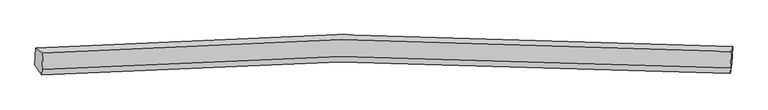
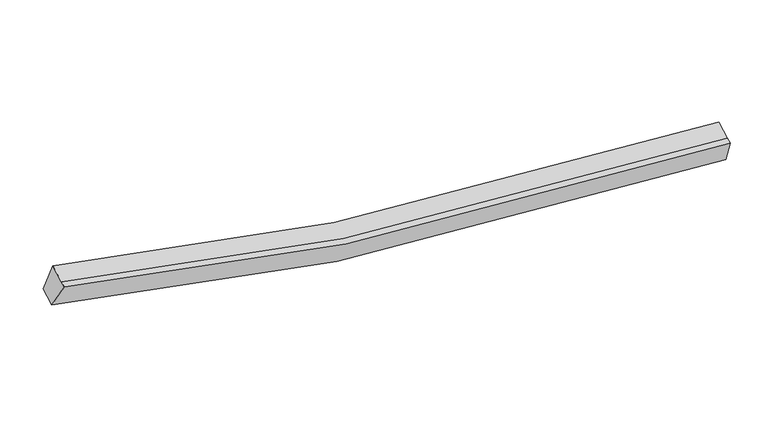
"""IFC4 building model written with IfcOpenShell, lengths in millimetres: proxy geometry."""

from ifc_helpers import new_model, si_unit, frame, origin, place, context, project, spatial, source, transform, mapped, element, save
from ifc_brep_helpers import plane_surface, spline_curve, spline_surface, advanced_brep


def generic_models_c7b700c9(model_context):
    return source(origin(), model_context, "Body", "AdvancedBrep", [
        advanced_brep(
        [(-8481.3574002, -1852.6518429, 4213.3181737), (-8290.275815, -1984.0985566, 4900.7937094), (10079.3218394, -1945.6708404, 2642.9642822), (10112.1390402, -1814.8831292, 1930.0613233), (-8312.6903047, -2434.1174832, 4715.088167), (10056.9073497, -2395.689767, 2457.2587399), (-8319.8192169, -2577.2456774, 4656.0246535), (10049.7784375, -2538.8179612, 2398.1952264), (-8504.0305799, -2307.8645289, 4025.4693661), (10089.4658604, -2270.0958152, 1742.2125157)],
        [
            (0, 1),
            (1, 2, spline_curve(3, [(-8290.275815, -1984.0985566, 4900.7937094), (-5662.998535547, -1781.362974641, 4125.366846363), (-3009.148610178, -1665.15122586, 3545.303582903), (3097.213466996, -1597.518168353, 2668.906163082), (6566.562759363, -1700.920679148, 2496.359616986), (10079.3218394, -1945.6708404, 2642.9642822)], [4, 2, 4], [0.0, 26.92554673857328, 61.3400063268835])),
            (2, 3),
            (3, 0, spline_curve(3, [(10112.1390402, -1814.8831292, 1930.0613233), (6556.620581464, -1567.427304283, 1782.06105883), (3045.009556291, -1462.767981539, 1956.662935211), (-3135.792429819, -1530.743330594, 2842.874657901), (-5822.013551922, -1647.992224197, 3429.358398472), (-8481.3574002, -1852.6518429, 4213.3181737)], [4, 2, 4], [0.0, 34.414459588310216, 61.3400063268835])),
            (1, 4),
            (4, 5, spline_curve(3, [(-8312.6903047, -2434.1174832, 4715.088167), (-5685.413025455, -2231.381901594, 3939.661303837), (-3031.563099739, -2115.170152374, 3359.598040554), (3074.798977118, -2047.537095063, 2483.200620845), (6544.148270286, -2150.939606116, 2310.654073626), (10056.9073497, -2395.689767, 2457.2587399)], [4, 2, 4], [0.0, 26.762790021557166, 60.96922469899518])),
            (5, 2),
            (4, 6),
            (6, 7, spline_curve(3, [(-8319.8192169, -2577.2456774, 4656.0246535), (-5692.541937655, -2374.510095794, 3880.597790337), (-3038.692011939, -2258.298346674, 3300.534527054), (3067.670064918, -2190.665289363, 2424.137107345), (6537.019358086, -2294.067800316, 2251.590560126), (10049.7784375, -2538.8179612, 2398.1952264)], [4, 2, 4], [0.0, 26.762790021557166, 60.96922469899518])),
            (7, 5),
            (6, 8),
            (8, 9, spline_curve(3, [(-8504.0305799, -2307.8645289, 4025.4693661), (-5844.686731622, -2103.204910197, 3241.509590872), (-3158.465609619, -1985.956016594, 2655.025850301), (3022.336376491, -1917.980667539, 1768.814127611), (6533.947401664, -2022.639990283, 1594.21225123), (10089.4658604, -2270.0958152, 1742.2125157)], [4, 2, 4], [0.0, 26.92554673857328, 61.3400063268835])),
            (9, 7),
            (8, 0),
            (3, 9),
        ],
        [
            spline_surface(3, 3, [[(-8481.3574002, -1852.6518429, 4213.3181737), (-5822.0135519, -1647.992223999, 3429.358398593), (-3135.792429814, -1530.743330405, 2842.874657939), (3045.009556285, -1462.76798178, 1956.662935162), (6556.620581024, -1567.427304134, 1782.061059002), (10112.1390402, -1814.8831292, 1930.0613233)], [(-8417.663538488, -1896.467414135, 4442.476685608), (-5769.008546572, -1692.449141007, 3661.361214392), (-3093.577823312, -1575.545962122, 3077.017633046), (3062.410859912, -1507.684710759, 2194.077344387), (6559.934640591, -1611.925095905, 2020.160578166), (10101.199973252, -1858.479032936, 2167.695642947)], [(-8353.969676712, -1940.282985365, 4671.635197492), (-5716.00354118, -1736.906058009, 3893.364030166), (-3051.363216813, -1620.34859385, 3311.16060806), (3079.812163536, -1552.601439749, 2431.49175352), (6563.248700202, -1656.422887666, 2258.260097288), (10090.260906348, -1902.074936664, 2405.329962553)], [(-8290.275815, -1984.0985566, 4900.7937094), (-5662.998535851, -1781.362975017, 4125.366845965), (-3009.14861031, -1665.151225567, 3545.303583166), (3097.213467164, -1597.518168728, 2668.906162746), (6566.562759769, -1700.920679436, 2496.359616453), (10079.3218394, -1945.6708404, 2642.9642822)]], [4, 4], [4, 2, 4], [0.0, 2.380377803408753], [0.0, 26.92554673857328, 61.3400063268835]),
            spline_surface(3, 3, [[(-8290.275815, -1984.0985566, 4900.7937094), (-5662.998535851, -1781.362975017, 4125.366845965), (-3009.14861031, -1665.151225567, 3545.303583166), (3097.213467164, -1597.518168728, 2668.906162746), (6566.562759769, -1700.920679436, 2496.359616453), (10079.3218394, -1945.6708404, 2642.9642822)], [(-8297.747311542, -2134.104865467, 4838.891861943), (-5670.470032393, -1931.369283883, 4063.464998508), (-3016.620106852, -1815.157534433, 3483.40173571), (3089.741970622, -1747.524477595, 2607.004315289), (6559.091263227, -1850.926988303, 2434.457768996), (10071.850342858, -2095.677149267, 2581.062434743)], [(-8305.218808158, -2284.111174333, 4776.990014457), (-5677.941529009, -2081.37559275, 4001.563151022), (-3024.091603468, -1965.1638433, 3421.499888323), (3082.270474006, -1897.530786462, 2545.102467903), (6551.619766611, -2000.93329717, 2372.555921609), (10064.378846242, -2245.683458133, 2519.160587357)], [(-8312.6903047, -2434.1174832, 4715.088167), (-5685.413025551, -2231.381901617, 3939.661303565), (-3031.56310001, -2115.170152167, 3359.598040866), (3074.798977464, -2047.537095328, 2483.200620446), (6544.148270069, -2150.939606036, 2310.654074153), (10056.9073497, -2395.689767, 2457.2587399)]], [4, 4], [4, 2, 4], [0.0, 1.5989037564859863], [0.0, 26.762790021557166, 60.96922469899518]),
            spline_surface(3, 3, [[(-8312.6903047, -2434.1174832, 4715.088167), (-5685.413025551, -2231.381901617, 3939.661303565), (-3031.56310001, -2115.170152167, 3359.598040866), (3074.798977464, -2047.537095328, 2483.200620446), (6544.148270069, -2150.939606036, 2310.654074153), (10056.9073497, -2395.689767, 2457.2587399)], [(-8315.066608773, -2481.826881279, 4695.400329172), (-5687.789329624, -2279.091299696, 3919.973465737), (-3033.939404083, -2162.879550246, 3339.910203038), (3072.422673391, -2095.246493407, 2463.512782618), (6541.771965996, -2198.649004115, 2290.966236325), (10054.531045627, -2443.399165079, 2437.570902072)], [(-8317.442912827, -2529.536279321, 4675.712491328), (-5690.165633678, -2326.800697738, 3900.285627893), (-3036.315708137, -2210.588948388, 3320.222365194), (3070.046369337, -2142.955891549, 2443.824944774), (6539.395661942, -2246.358402157, 2271.278398481), (10052.154741573, -2491.108563121, 2417.883064228)], [(-8319.8192169, -2577.2456774, 4656.0246535), (-5692.541937751, -2374.510095817, 3880.597790065), (-3038.69201221, -2258.298346467, 3300.534527366), (3067.670065264, -2190.665289628, 2424.137106946), (6537.019357869, -2294.067800236, 2251.590560653), (10049.7784375, -2538.8179612, 2398.1952264)]], [4, 4], [4, 2, 4], [0.0, 0.5085301837270331], [0.0, 26.762790021557166, 60.96922469899518]),
            spline_surface(3, 3, [[(-8319.8192169, -2577.2456774, 4656.0246535), (-5692.541937751, -2374.510095817, 3880.597790065), (-3038.69201221, -2258.298346467, 3300.534527366), (3067.670065264, -2190.665289628, 2424.137106946), (6537.019357869, -2294.067800236, 2251.590560653), (10049.7784375, -2538.8179612, 2398.1952264)], [(-8381.22300459, -2487.451961205, 4445.839557691), (-5743.256869058, -2284.075033849, 3667.568390365), (-3078.616544691, -2167.51756979, 3085.364968359), (3052.558835658, -2099.770415689, 2205.69611382), (6535.995372324, -2203.591863506, 2032.464457588), (10063.00757847, -2449.243912504, 2179.534322852)], [(-8442.62679221, -2397.658245095, 4235.654461909), (-5793.971800294, -2193.639971967, 3454.538990693), (-3118.541077134, -2076.736793082, 2870.195409346), (3037.44760609, -2008.875541719, 1987.255120688), (6534.971386769, -2113.115926864, 1813.338354467), (10076.23671943, -2359.669863896, 1960.873419248)], [(-8504.0305799, -2307.8645289, 4025.4693661), (-5844.6867316, -2103.204909999, 3241.509590993), (-3158.465609614, -1985.956016405, 2655.025850339), (3022.336376485, -1917.98066778, 1768.814127562), (6533.947401224, -2022.639990134, 1594.212251402), (10089.4658604, -2270.0958152, 1742.2125157)]], [4, 4], [4, 2, 4], [0.0, 2.329382559150886], [0.0, 26.92554673857328, 61.3400063268835]),
            spline_surface(3, 3, [[(-8504.0305799, -2307.8645289, 4025.4693661), (-5844.6867316, -2103.204909999, 3241.509590993), (-3158.465609614, -1985.956016405, 2655.025850339), (3022.336376485, -1917.98066778, 1768.814127562), (6533.947401224, -2022.639990134, 1594.212251402), (10089.4658604, -2270.0958152, 1742.2125157)], [(-8496.472853307, -2156.126966914, 4088.085635285), (-5837.129005007, -1951.467348013, 3304.125860178), (-3150.907883021, -1834.218454419, 2717.642119524), (3029.894103078, -1766.243105794, 1831.430396747), (6541.505127817, -1870.902428148, 1656.828520587), (10097.023586993, -2118.358253214, 1804.828784885)], [(-8488.915126793, -2004.389404886, 4150.701904515), (-5829.571278494, -1799.729785985, 3366.742129408), (-3143.350156408, -1682.480892391, 2780.258388754), (3037.451829691, -1614.505543765, 1894.046665977), (6549.062854431, -1719.16486612, 1719.444789817), (10104.581313607, -1966.620691186, 1867.445054115)], [(-8481.3574002, -1852.6518429, 4213.3181737), (-5822.0135519, -1647.992223999, 3429.358398593), (-3135.792429814, -1530.743330405, 2842.874657939), (3045.009556285, -1462.76798178, 1956.662935162), (6556.620581024, -1567.427304134, 1782.061059002), (10112.1390402, -1814.8831292, 1930.0613233)]], [4, 4], [4, 2, 4], [0.0, 1.6173570277953917], [0.0, 27.088303673180643, 61.71078845047386]),
            plane_surface(frame((10082.6762944, -2142.3669365, 2178.3583369), z_axis=(0.9973766008545659, -0.06379392821432854, 0.03420892852425152), x_axis=(0.05589777874662313, 0.3784818958994998, -0.9239193107666458))),
            plane_surface(frame((-8398.870753, -2180.4651514, 4448.9014757), z_axis=(-0.9646600341458668, -0.05801905527367075, 0.2570307525313773), x_axis=(-0.045992982062312816, -0.9234077047541275, -0.38105492570196486))),
        ],
        [
            (0, [[1, 2, 3, 4]]),
            (1, [[5, 6, 7, -2]]),
            (2, [[8, 9, 10, -6]]),
            (3, [[11, 12, 13, -9]]),
            (4, [[14, -4, 15, -12]]),
            (5, [[-13, -15, -3, -7, -10]]),
            (6, [[-14, -11, -8, -5, -1]]),
        ],
    ),
    ])


if __name__ == "__main__":
    model = new_model("IFC4")
    model_context = context("Model", 3, world=origin())
    ifc_project = project(units=[si_unit("LENGTHUNIT", "METRE", prefix="MILLI")], contexts=[model_context])
    site = spatial("IfcSite", under=ifc_project)
    building = spatial("IfcBuilding", under=site)
    placement = place(None, origin())
    generic_models_shape = generic_models_c7b700c9(model_context)
    element("IfcBuildingElementProxy", 1, Name="Generic Models", at=placement, inside=building, context=model_context, shape_type="MappedRepresentation", body=[
        mapped(generic_models_shape, transform((0.0, 0.0, 0.0), x_axis=(1.0, 0.0, 0.0), y_axis=(0.0, 1.0, 0.0), z_axis=(0.0, 0.0, 1.0))),
    ])
    save(model, "model.ifc")
